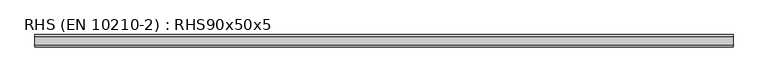
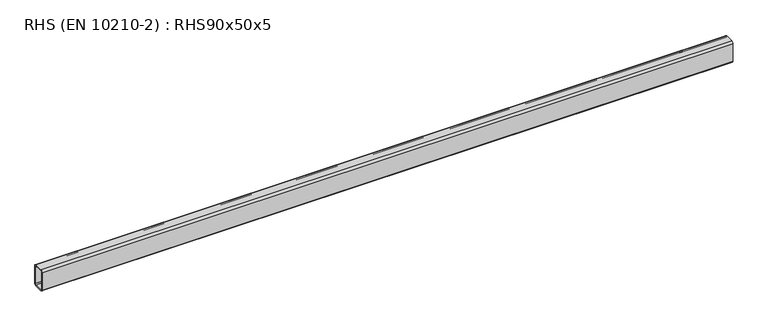
"""IFC4 building model written with IfcOpenShell, lengths in millimetres: beam geometry, RHS (EN 10210-2) : RHS90x50x5."""

from ifc_helpers import new_model, si_unit, point, frame, frame_2d, origin, place, context, project, spatial, polyline, circle_curve, trimmed, segment, composite_curve, outline, extrude, source, transform, mapped, element, save


def rhs_en_10210_2_rhs90x50x5_26deb8b6(model_context):
    return source(origin(), model_context, "Body", "SweptSolid", [
        extrude(outline(composite_curve([segment(polyline([(25.0, 37.5), (25.0, -37.5)]), True, "CONTINUOUS"), segment(trimmed(circle_curve(frame_2d((17.5, -37.5)), 7.5), [point((25.0, -37.5))], [point((17.5, -45.0))], False, "CARTESIAN"), True, "CONTINUOUS"), segment(polyline([(17.5, -45.0), (-17.5, -45.0)]), True, "CONTINUOUS"), segment(trimmed(circle_curve(frame_2d((-17.5, -37.5)), 7.5), [point((-17.5, -45.0))], [point((-25.0, -37.5))], False, "CARTESIAN"), True, "CONTINUOUS"), segment(polyline([(-25.0, -37.5), (-25.0, 37.5)]), True, "CONTINUOUS"), segment(trimmed(circle_curve(frame_2d((-17.5, 37.5)), 7.5), [point((-25.0, 37.5))], [point((-17.5, 45.0))], False, "CARTESIAN"), True, "CONTINUOUS"), segment(polyline([(-17.5, 45.0), (17.5, 45.0)]), True, "CONTINUOUS"), segment(trimmed(circle_curve(frame_2d((17.5, 37.5)), 7.5), [point((17.5, 45.0))], [point((25.0, 37.5))], False, "CARTESIAN"), True, "CONTINUOUS")], self_intersect=False), holes=[composite_curve([segment(trimmed(circle_curve(frame_2d((-15.0, 35.0)), 5.0), [point((-15.0, 40.0))], [point((-20.0, 35.0))], True, "CARTESIAN"), True, "CONTINUOUS"), segment(polyline([(-20.0, 35.0), (-20.0, -35.0)]), True, "CONTINUOUS"), segment(trimmed(circle_curve(frame_2d((-15.0, -35.0)), 5.0), [point((-20.0, -35.0))], [point((-15.0, -40.0))], True, "CARTESIAN"), True, "CONTINUOUS"), segment(polyline([(-15.0, -40.0), (15.0, -40.0)]), True, "CONTINUOUS"), segment(trimmed(circle_curve(frame_2d((15.0, -35.0)), 5.0), [point((15.0, -40.0))], [point((20.0, -35.0))], True, "CARTESIAN"), True, "CONTINUOUS"), segment(polyline([(20.0, -35.0), (20.0, 35.0)]), True, "CONTINUOUS"), segment(trimmed(circle_curve(frame_2d((15.0, 35.0)), 5.0), [point((20.0, 35.0))], [point((15.0, 40.0))], True, "CARTESIAN"), True, "CONTINUOUS"), segment(polyline([(15.0, 40.0), (-15.0, 40.0)]), True, "CONTINUOUS")], self_intersect=False)]), frame((-1413.75, 0.0, 0.0), z_axis=(1.0, 0.0, 0.0), x_axis=(0.0, 1.0, 0.0)), (0.0, 0.0, 1.0), 2810.6),
    ])


if __name__ == "__main__":
    model = new_model("IFC4")
    model_context = context("Model", 3, world=origin())
    ifc_project = project(units=[si_unit("LENGTHUNIT", "METRE", prefix="MILLI")], contexts=[model_context])
    site = spatial("IfcSite", under=ifc_project)
    building = spatial("IfcBuilding", under=site)
    placement = place(None, origin())
    rhs_en_10210_2_rhs90x50x5_shape = rhs_en_10210_2_rhs90x50x5_26deb8b6(model_context)
    element("IfcBeam", 1, ObjectType="RHS (EN 10210-2) : RHS90x50x5", at=placement, inside=building, context=model_context, shape_type="MappedRepresentation", body=[
        mapped(rhs_en_10210_2_rhs90x50x5_shape, transform((0.0, 0.0, 0.0), x_axis=(1.0, 0.0, 0.0), y_axis=(0.0, 1.0, 0.0), z_axis=(0.0, 0.0, 1.0))),
    ])
    save(model, "model.ifc")
